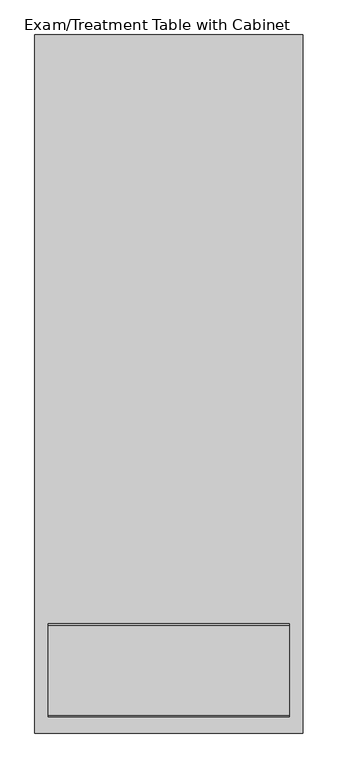
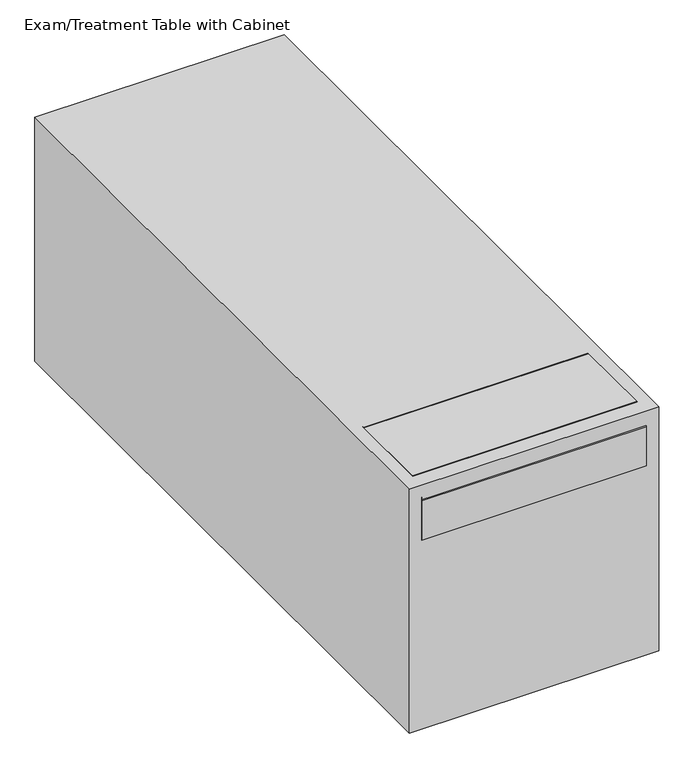
"""IFC4 building model written with IfcOpenShell, lengths in millimetres: proxy geometry, Exam/Treatment Table with Cabinet."""

from ifc_helpers import new_model, si_unit, point, frame, frame_2d, origin, origin_with_axes, place, context, project, spatial, polyline, circle_curve, trimmed, segment, composite_curve, outline, extrude, source, transform, mapped, element, save


def exam_treatment_table_with_cabinet_c0feb113(model_context):
    return source(origin(), model_context, "Body", "SweptSolid", [
        extrude(outline(polyline([(-292.1, 171.45), (-304.8, 171.45), (-304.8, 679.45), (-292.1, 679.45), (-292.1, 171.45)])), frame((0.0, 0.0, 482.6), z_axis=(0.0, 0.0, 1.0), x_axis=(1.0, 0.0, 0.0)), (0.0, 0.0, 1.0), 127.0),
        extrude(outline(polyline([(-292.1, 171.45), (-304.8, 171.45), (-304.8, 679.45), (-292.1, 679.45), (-292.1, 171.45)])), frame((0.0, 0.0, 273.05), z_axis=(0.0, 0.0, 1.0), x_axis=(1.0, 0.0, 0.0)), (0.0, 0.0, 1.0), 203.2),
        extrude(outline(polyline([(-292.1, 171.45), (-304.8, 171.45), (-304.8, 679.45), (-292.1, 679.45), (-292.1, 171.45)])), frame((0.0, 0.0, 63.5), z_axis=(0.0, 0.0, 1.0), x_axis=(1.0, 0.0, 0.0)), (0.0, 0.0, 1.0), 203.2),
        extrude(outline(polyline([(-292.1, -679.45), (-304.8, -679.45), (-304.8, -171.45), (-292.1, -171.45), (-292.1, -679.45)])), frame((0.0, 0.0, 482.6), z_axis=(0.0, 0.0, 1.0), x_axis=(1.0, 0.0, 0.0)), (0.0, 0.0, 1.0), 127.0),
        extrude(outline(polyline([(-292.1, -679.45), (-304.8, -679.45), (-304.8, -171.45), (-292.1, -171.45), (-292.1, -679.45)])), frame((0.0, 0.0, 273.05), z_axis=(0.0, 0.0, 1.0), x_axis=(1.0, 0.0, 0.0)), (0.0, 0.0, 1.0), 203.2),
        extrude(outline(polyline([(-292.1, -679.45), (-304.8, -679.45), (-304.8, -171.45), (-292.1, -171.45), (-292.1, -679.45)])), frame((0.0, 0.0, 63.5), z_axis=(0.0, 0.0, 1.0), x_axis=(1.0, 0.0, 0.0)), (0.0, 0.0, 1.0), 203.2),
        extrude(outline(polyline([(-292.1, 171.45), (-304.8, 171.45), (-304.8, 679.45), (-292.1, 679.45), (-292.1, 171.45)])), frame((0.0, 0.0, 2.7316701), z_axis=(0.0, 0.0, 1.0), x_axis=(1.0, 0.0, 0.0)), (0.0, 0.0, 1.0), 54.4183299),
        extrude(outline(polyline([(292.1, -685.8), (-292.1, -685.8), (-292.1, 685.8), (292.1, 685.8), (292.1, -685.8)])), origin_with_axes(), (0.0, 0.0, 1.0), 533.4),
        extrude(outline(composite_curve([segment(polyline([(-990.6, 609.6), (-990.6, 736.6)]), True, "CONTINUOUS"), segment(trimmed(circle_curve(frame_2d((-939.8, 736.6)), 50.8), [point((-990.6, 736.6))], [point((-939.8, 787.4))], False, "CARTESIAN"), True, "CONTINUOUS"), segment(polyline([(-939.8, 787.4), (-685.1388288, 787.4)]), True, "CONTINUOUS"), segment(trimmed(circle_curve(frame_2d((-685.1388288, 527.05)), 260.35), [point((-685.1388288, 787.4))], [point((-588.4472662, 768.7789065))], False, "CARTESIAN"), True, "CONTINUOUS"), segment(polyline([(-588.4472662, 768.7789065), (-553.9220876, 754.9688351)]), True, "CONTINUOUS"), segment(trimmed(circle_curve(frame_2d((-458.540398, 993.4230592)), 256.8230592), [point((-553.9220876, 754.9688351))], [point((-458.540398, 736.6))], True, "CARTESIAN"), True, "CONTINUOUS"), segment(polyline([(-458.540398, 736.6), (965.2, 736.6)]), True, "CONTINUOUS"), segment(trimmed(circle_curve(frame_2d((965.2, 711.2)), 25.4), [point((965.2, 736.6))], [point((990.6, 711.2))], False, "CARTESIAN"), True, "CONTINUOUS"), segment(polyline([(990.6, 711.2), (990.6, 609.6), (-990.6, 609.6)]), True, "CONTINUOUS")], self_intersect=False)), frame((-342.9, 0.0, 0.0), z_axis=(1.0, 0.0, 0.0), x_axis=(0.0, 1.0, 0.0)), (0.0, 0.0, 1.0), 685.8),
        extrude(outline(polyline([(381.0, -990.6), (-381.0, -990.6), (-381.0, 990.6), (381.0, 990.6), (381.0, -990.6)])), origin_with_axes(), (0.0, 0.0, 1.0), 787.4),
        extrude(outline(polyline([(285.75, 711.2), (-288.8524893, 711.2), (-288.8524893, 736.6), (285.75, 736.6), (285.75, 711.2)])), frame((0.0, 0.0, 406.4), z_axis=(0.0, 0.0, 1.0), x_axis=(1.0, 0.0, 0.0)), (0.0, 0.0, 1.0), 25.4),
        extrude(outline(polyline([(285.75, -736.2655691), (-288.8524893, -736.2655691), (-288.8524893, -711.2), (285.75, -711.2), (285.75, -736.2655691)])), frame((0.0, 0.0, 406.4), z_axis=(0.0, 0.0, 1.0), x_axis=(1.0, 0.0, 0.0)), (0.0, 0.0, 1.0), 25.4),
        extrude(outline(polyline([(285.75, 685.8), (260.35, 685.8), (260.35, 711.2), (285.75, 711.2), (285.75, 685.8)])), origin_with_axes(), (0.0, 0.0, 1.0), 609.6),
        extrude(outline(polyline([(-287.5466949, 685.8), (-287.5466949, 711.2), (-262.1466949, 711.2), (-262.1466949, 685.8), (-287.5466949, 685.8)])), origin_with_axes(), (0.0, 0.0, 1.0), 609.6),
        extrude(outline(polyline([(284.2692082, -685.8), (284.2692082, -711.2), (258.8692082, -711.2), (258.8692082, -685.8), (284.2692082, -685.8)])), origin_with_axes(), (0.0, 0.0, 1.0), 609.6),
        extrude(outline(polyline([(-288.8524893, -685.8), (-263.4524893, -685.8), (-263.4524893, -711.2), (-288.8524893, -711.2), (-288.8524893, -685.8)])), origin_with_axes(), (0.0, 0.0, 1.0), 609.6),
    ])


if __name__ == "__main__":
    model = new_model("IFC4")
    model_context = context("Model", 3, world=origin())
    ifc_project = project(units=[si_unit("LENGTHUNIT", "METRE", prefix="MILLI")], contexts=[model_context])
    site = spatial("IfcSite", under=ifc_project)
    building = spatial("IfcBuilding", under=site)
    placement = place(None, origin())
    exam_treatment_table_with_cabinet_shape = exam_treatment_table_with_cabinet_c0feb113(model_context)
    element("IfcBuildingElementProxy", 1, Name="Exam/Treatment Table with Cabinet", ObjectType="Exam/Treatment Table with Cabinet", at=placement, inside=building, context=model_context, shape_type="MappedRepresentation", body=[
        mapped(exam_treatment_table_with_cabinet_shape, transform((0.0, 0.0, 0.0), x_axis=(1.0, 0.0, 0.0), y_axis=(0.0, 1.0, 0.0), z_axis=(0.0, 0.0, 1.0))),
    ])
    save(model, "model.ifc")
